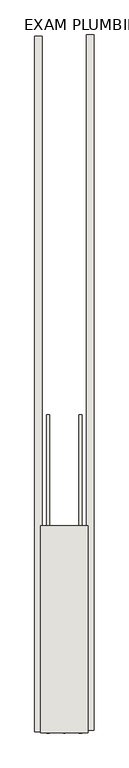
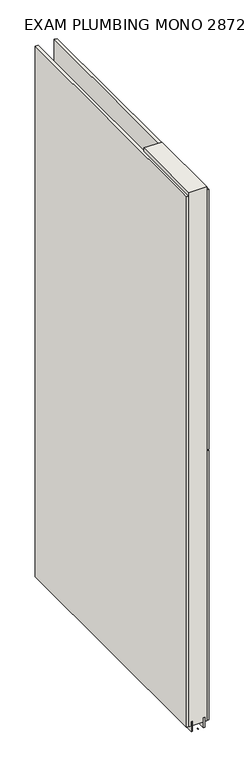
"""IFC4 building model written with IfcOpenShell, lengths in millimetres: wall geometry, EXAM PLUMBING MONO 287237 : EXAM PLUMBING MONO 287237."""

from ifc_helpers import new_model, si_unit, frame, origin, place, context, project, spatial, polyline, outline, extrude, source, transform, mapped, element, save


def exam_plumbing_mono_287237_exam_plumbing_mono_287237_7c0c79c1(model_context):
    return source(origin(), model_context, "Body", "SweptSolid", [
        extrude(outline(polyline([(78033.282211, -49568.4113024), (78033.282211, -49570.9513024), (78030.742211, -49570.9513024), (78030.742211, -49568.4113024), (78033.282211, -49568.4113024)])), frame((0.0, 0.0, 4419.6), z_axis=(0.0, 0.0, 1.0), x_axis=(1.0, 0.0, 0.0)), (0.0, 0.0, 1.0), 2.54),
        extrude(outline(polyline([(77981.212211, -49568.9546973), (77981.212211, -48376.0746091), (77993.912211, -48376.0746091), (77993.912211, -49568.9546973), (77981.212211, -49568.9546973)])), frame((0.0, 0.0, 4445.0), z_axis=(0.0, 0.0, 1.0), x_axis=(1.0, 0.0, 0.0)), (0.0, 0.0, 1.0), 2545.0498756),
        extrude(outline(polyline([(78082.812211, -48373.6065419), (78082.812211, -49566.4866301), (78070.112211, -49566.4866301), (78070.112211, -48373.6065419), (78082.812211, -48373.6065419)])), frame((0.0, 0.0, 4445.0), z_axis=(0.0, 0.0, 1.0), x_axis=(1.0, 0.0, 0.0)), (0.0, 0.0, 1.0), 1293.400004),
        extrude(outline(polyline([(78082.812211, -48373.6065419), (78082.812211, -49566.4866301), (78070.112211, -49566.4866301), (78070.112211, -48373.6065419), (78082.812211, -48373.6065419)])), frame((0.0, 0.0, 5742.4000722), z_axis=(0.0, 0.0, 1.0), x_axis=(1.0, 0.0, 0.0)), (0.0, 0.0, 1.0), 1247.649905),
        extrude(outline(polyline([(78006.9284664, -49024.8463494), (78006.9284664, -49570.9463494), (78001.849711, -49570.9463494), (78001.849711, -49024.8463494), (78006.9284664, -49024.8463494)])), frame((0.0, 0.0, 4418.6602), z_axis=(0.0, 0.0, 1.0), x_axis=(1.0, 0.0, 0.0)), (0.0, 0.0, 1.0), 47.625),
        extrude(outline(polyline([(78006.9284664, -49024.8463494), (78006.9284664, -49570.9463494), (78001.849711, -49570.9463494), (78001.849711, -49024.8463494), (78006.9284664, -49024.8463494)])), frame((0.0, 0.0, 4418.6602), z_axis=(0.0, 0.0, 1.0), x_axis=(1.0, 0.0, 0.0)), (0.0, 0.0, 1.0), 47.625),
        extrude(outline(polyline([(78057.0959556, -49570.9463494), (78057.0959556, -49024.8463494), (78062.174711, -49024.8463494), (78062.174711, -49570.9463494), (78057.0959556, -49570.9463494)])), frame((0.0, 0.0, 4418.6602), z_axis=(0.0, 0.0, 1.0), x_axis=(1.0, 0.0, 0.0)), (0.0, 0.0, 1.0), 47.625),
        extrude(outline(polyline([(78057.0959556, -49570.9463494), (78057.0959556, -49024.8463494), (78062.174711, -49024.8463494), (78062.174711, -49570.9463494), (78057.0959556, -49570.9463494)])), frame((0.0, 0.0, 4418.6602), z_axis=(0.0, 0.0, 1.0), x_axis=(1.0, 0.0, 0.0)), (0.0, 0.0, 1.0), 47.625),
        extrude(outline(polyline([(77991.3573266, -49215.3463494), (78072.6670954, -49215.3463494), (78072.6670954, -49570.9463494), (77991.3573266, -49570.9463494), (77991.3573266, -49215.3463494)])), frame((0.0, 0.0, 4445.0), z_axis=(0.0, 0.0, 1.0), x_axis=(1.0, 0.0, 0.0)), (0.0, 0.0, 1.0), 2562.4536762),
    ])


if __name__ == "__main__":
    model = new_model("IFC4")
    model_context = context("Model", 3, world=origin())
    ifc_project = project(units=[si_unit("LENGTHUNIT", "METRE", prefix="MILLI")], contexts=[model_context])
    site = spatial("IfcSite", under=ifc_project)
    building = spatial("IfcBuilding", under=site)
    placement = place(None, origin())
    exam_plumbing_mono_287237_exam_plumbing_mono_287237_shape = exam_plumbing_mono_287237_exam_plumbing_mono_287237_7c0c79c1(model_context)
    element("IfcWall", 1, ObjectType="EXAM PLUMBING MONO 287237 : EXAM PLUMBING MONO 287237", at=placement, inside=building, context=model_context, shape_type="MappedRepresentation", body=[
        mapped(exam_plumbing_mono_287237_exam_plumbing_mono_287237_shape, transform((0.0, 0.0, 0.0), x_axis=(1.0, 0.0, 0.0), y_axis=(0.0, 1.0, 0.0), z_axis=(0.0, 0.0, 1.0))),
    ])
    save(model, "model.ifc")
